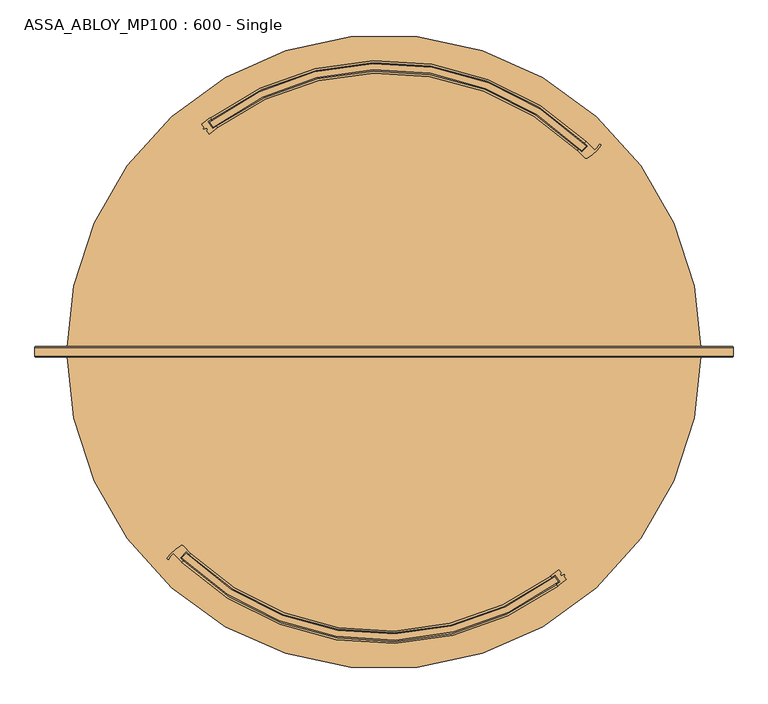
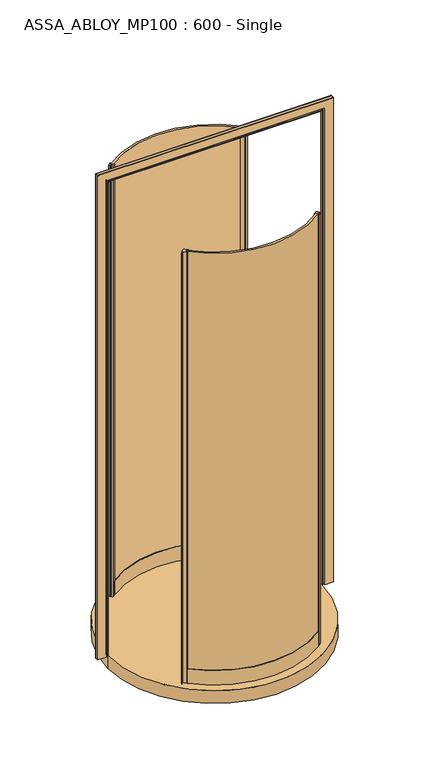
"""IFC4 building model written with IfcOpenShell, lengths in millimetres: door geometry, ASSA_ABLOY_MP100 : 600 - Single."""

from ifc_helpers import new_model, si_unit, point, frame, frame_2d, origin, origin_with_axes, place, context, project, spatial, polyline, circle_curve, ellipse_curve, trimmed, segment, composite_curve, outline, extrude, source, transform, mapped, element, save
from ifc_brep_helpers import plane_surface, cylinder_surface, revolved_surface, advanced_brep


def assa_abloy_mp100_600_single_a07906a3(model_context):
    return source(origin(), model_context, "Body", "SolidModel", [
        extrude(outline(composite_curve([segment(trimmed(circle_curve(frame_2d((125.0, 0.0)), 461.0), [point((-198.0228277, -328.9031054))], [point((403.7296704, -367.1930975))], True, "CARTESIAN"), True, "CONTINUOUS"), segment(polyline([(403.7296704, -367.1930975), (409.6922302, -375.2217132)]), True, "CONTINUOUS"), segment(trimmed(circle_curve(frame_2d((125.0, 0.0)), 471.0), [point((409.6922302, -375.2217132))], [point((-204.952436, -336.1136564))], False, "CARTESIAN"), True, "CONTINUOUS"), segment(polyline([(-204.952436, -336.1136564), (-198.0228277, -328.9031054)]), True, "CONTINUOUS")], self_intersect=False)), origin_with_axes(), (0.0, 0.0, 1.0), 2200.0),
        extrude(outline(composite_curve([segment(polyline([(410.3369696, -355.6948324), (414.4020493, -361.1684819), (412.3950036, -362.6590414), (414.481787, -365.4689053), (419.0829, -363.6472028), (419.7436822, -364.5369492), (418.2774526, -366.3867312), (422.2693923, -371.7618975)]), True, "CONTINUOUS"), segment(trimmed(circle_curve(frame_2d((125.0, 0.0)), 476.0), [point((422.2693923, -371.7618975))], [point((408.8025361, -382.1414928))], False, "CARTESIAN"), True, "CONTINUOUS"), segment(polyline([(408.8025361, -382.1414928), (407.0138647, -379.733038)]), True, "CONTINUOUS"), segment(trimmed(circle_curve(frame_2d((125.0, 0.0)), 473.0), [point((407.0138647, -379.733038))], [point((412.6027082, -375.5178854))], True, "CARTESIAN"), True, "CONTINUOUS"), segment(polyline([(412.6027082, -375.5178854), (404.2546327, -364.2771612)]), True, "CONTINUOUS"), segment(trimmed(circle_curve(frame_2d((125.0, 0.0)), 459.0), [point((404.2546327, -364.2771612))], [point((398.6655575, -368.494454))], False, "CARTESIAN"), True, "CONTINUOUS"), segment(polyline([(398.6655575, -368.494454), (396.8780598, -366.0851275)]), True, "CONTINUOUS"), segment(trimmed(circle_curve(frame_2d((125.0, 0.0)), 456.0), [point((396.8780598, -366.0851275))], [point((410.3369696, -355.6948324))], True, "CARTESIAN"), True, "CONTINUOUS")], self_intersect=False)), origin_with_axes(), (0.0, 0.0, 1.0), 2200.0),
        advanced_brep(
        [(-198.0606614, -326.0564281, 0.0), (-207.7619944, -336.1524011, 0.0), (-202.7505863, -341.0399863, 0.0), (-204.8292072, -343.2031633, 0.0), (-218.6754502, -329.3370005, 0.0), (-225.8403885, -338.0289484, 0.0), (-228.4119384, -336.7129907, 0.0), (-206.5448057, -316.4268945, 0.0), (-202.8628013, -316.9255214, 0.0), (-190.9717342, -328.781983, 0.0), (-193.0503552, -330.94516, 0.0), (-198.0606614, -326.0564281, 2200.0), (-193.0503552, -330.94516, 2200.0), (-190.9717342, -328.781983, 2200.0), (-202.8628013, -316.9255214, 2200.0), (-206.5448057, -316.4268945, 2200.0), (-228.4119384, -336.7129907, 2200.0), (-225.8541944, -338.0217349, 2200.0), (-218.6754502, -329.3370005, 2200.0), (-204.8292072, -343.2031633, 2200.0), (-202.7505863, -341.0399863, 2200.0), (-207.7619944, -336.1524011, 2200.0)],
        [
            (0, 1),
            (1, 2, circle_curve(frame((123.9393398, -1.0606602, 0.0), z_axis=(0.0, 0.0, 1.0), x_axis=(-0.7071067811865531, 0.7071067811865418, 0.0)), 471.5)),
            (2, 3),
            (3, 4, circle_curve(frame((123.9393398, -1.0606602, 0.0), z_axis=(0.0, 0.0, -1.0), x_axis=(-0.7071067811865531, 0.7071067811865418, 0.0)), 474.5)),
            (4, 5, circle_curve(frame((-201.6572326, -350.6645131, 0.0), z_axis=(0.0, 0.0, 1.0), x_axis=(-0.7071067811865531, 0.7071067811865418, 0.0)), 27.285207)),
            (5, 6, circle_curve(frame((-227.1274821, -337.3564491, 0.0), z_axis=(0.0, 0.0, -1.0), x_axis=(-0.7071067811865531, 0.7071067811865418, 0.0)), 1.4366164)),
            (6, 7, circle_curve(frame((-170.9639336, -376.7095748, 0.0), z_axis=(0.0, 0.0, -1.0), x_axis=(-0.7071067811865531, 0.7071067811865418, 0.0)), 70.0)),
            (7, 8, circle_curve(frame((-205.0199112, -319.0104379, 0.0), z_axis=(0.0, 0.0, -1.0), x_axis=(-0.7071067811865531, 0.7071067811865418, 0.0)), 3.0)),
            (8, 9, circle_curve(frame((123.9393398, -1.0606602, 0.0), z_axis=(0.0, 0.0, 1.0), x_axis=(-0.7071067811865531, 0.7071067811865418, 0.0)), 454.5)),
            (9, 10),
            (10, 0, circle_curve(frame((123.9393398, -1.0606602, 0.0), z_axis=(0.0, 0.0, -1.0), x_axis=(-0.7071067811865531, 0.7071067811865418, 0.0)), 457.5)),
            (11, 12, circle_curve(frame((123.9393398, -1.0606602, 2200.0), z_axis=(0.0, 0.0, 1.0), x_axis=(-0.7071067811865531, 0.7071067811865418, 0.0)), 457.5)),
            (12, 13),
            (13, 14, circle_curve(frame((123.9393398, -1.0606602, 2200.0), z_axis=(0.0, 0.0, -1.0), x_axis=(-0.7071067811865531, 0.7071067811865418, 0.0)), 454.5)),
            (14, 15, circle_curve(frame((-205.0199112, -319.0104379, 2200.0), z_axis=(0.0, 0.0, 1.0), x_axis=(-0.7071067811865531, 0.7071067811865418, 0.0)), 3.0)),
            (15, 16, circle_curve(frame((-170.9639336, -376.7095748, 2200.0), z_axis=(0.0, 0.0, 1.0), x_axis=(-0.7071067811865531, 0.7071067811865418, 0.0)), 70.0)),
            (16, 17, circle_curve(frame((-227.1274821, -337.3564491, 2200.0), z_axis=(0.0, 0.0, 1.0), x_axis=(-0.7071067811865531, 0.7071067811865418, 0.0)), 1.4366164)),
            (17, 18, circle_curve(frame((-201.6572326, -350.6645131, 2200.0), z_axis=(0.0, 0.0, -1.0), x_axis=(-0.7071067811865531, 0.7071067811865418, 0.0)), 27.285207)),
            (18, 19, circle_curve(frame((123.9393398, -1.0606602, 2200.0), z_axis=(0.0, 0.0, 1.0), x_axis=(-0.7071067811865531, 0.7071067811865418, 0.0)), 474.5)),
            (19, 20),
            (20, 21, circle_curve(frame((123.9393398, -1.0606602, 2200.0), z_axis=(0.0, 0.0, -1.0), x_axis=(-0.7071067811865531, 0.7071067811865418, 0.0)), 471.5)),
            (21, 11),
            (0, 11),
            (21, 1),
            (20, 2),
            (19, 3),
            (18, 4),
            (8, 14),
            (13, 9),
            (12, 10),
            (17, 5),
            (16, 6),
            (15, 7),
        ],
        [
            plane_surface(frame((-197.4406922, -322.4406922, 0.0), z_axis=(0.0, 0.0, -1.0000000000000002), x_axis=(-0.7071067811865419, -0.7071067811865532, 0.0))),
            plane_surface(frame((-197.4406922, -322.4406922, 2200.0), z_axis=(0.0, 0.0, 1.0000000000000002), x_axis=(-0.7071067811865419, -0.7071067811865532, 0.0))),
            plane_surface(frame((-198.0606614, -326.0564281, 0.0), z_axis=(0.72105901609443, -0.6928736503208449, 0.0), x_axis=(0.0, 0.0, 1.0))),
            revolved_surface(polyline([(-209.4615075294598, 332.3401871294545, 2200.0), (-209.4615075294598, 332.3401871294545, 0.0)]), (123.9393398, -1.0606602, 0.0), (0.0, 0.0, 1.0)),
            plane_surface(frame((-202.7505863, -341.0399863, 0.0), z_axis=(0.7210590160945624, -0.6928736503207072, 0.0), x_axis=(0.0, 0.0, 1.0))),
            cylinder_surface(frame((123.9393398, -1.0606602, 0.0), z_axis=(0.0, 0.0, -1.0), x_axis=(-0.7071067811865531, 0.7071067811865418, 0.0)), 474.5),
            revolved_surface(polyline([(-197.4406922492884, 320.3193718492833, 2200.0), (-197.4406922492884, 320.3193718492833, 0.0)]), (123.9393398, -1.0606602, 0.0), (0.0, 0.0, 1.0)),
            plane_surface(frame((-190.9717342, -328.781983, 0.0), z_axis=(0.7210590160946411, -0.6928736503206254, 0.0), x_axis=(0.0, 0.0, 1.0))),
            cylinder_surface(frame((123.9393398, -1.0606602, 0.0), z_axis=(0.0, 0.0, -1.0), x_axis=(-0.7071067811865531, 0.7071067811865418, 0.0)), 457.5),
            revolved_surface(polyline([(-220.9507874957788, -331.37095820422155, 2200.0), (-220.9507874957788, -331.37095820422155, 0.0)]), (-201.6572326, -350.6645131, 0.0), (0.0, 0.0, 1.0)),
            cylinder_surface(frame((-227.1274821, -337.3564491, 0.0), z_axis=(0.0, 0.0, -1.0), x_axis=(-0.7071067811865531, 0.7071067811865418, 0.0)), 1.4366164),
            cylinder_surface(frame((-170.9639336, -376.7095748, 0.0), z_axis=(0.0, 0.0, -1.0), x_axis=(-0.7071067811865531, 0.7071067811865418, 0.0)), 70.0),
            cylinder_surface(frame((-205.0199112, -319.0104379, 0.0), z_axis=(0.0, 0.0, -1.0), x_axis=(-0.7071067811865531, 0.7071067811865418, 0.0)), 3.0),
        ],
        [
            (0, [[1, 2, 3, 4, 5, 6, 7, 8, 9, 10, 11]]),
            (1, [[12, 13, 14, 15, 16, 17, 18, 19, 20, 21, 22]]),
            (2, [[-1, 23, -22, 24]]),
            (3, [[-2, -24, -21, 25]]),
            (4, [[-3, -25, -20, 26]]),
            (5, [[-4, -26, -19, 27]]),
            (6, [[-9, 28, -14, 29]]),
            (7, [[-10, -29, -13, 30]]),
            (8, [[-11, -30, -12, -23]]),
            (9, [[-5, -27, -18, 31]]),
            (10, [[-6, -31, -17, 32]]),
            (11, [[-7, -32, -16, 33]]),
            (12, [[-8, -33, -15, -28]]),
        ],
    ),
        advanced_brep(
        [(-190.9719443, -328.782193, 73.0), (-190.9719443, -328.782193, 0.0), (-193.0507071, -330.9452338, 0.0), (-193.0507071, -330.9452338, 24.0), (-202.7516001, -341.0394239, 24.0), (-202.7516001, -341.0394239, 0.0), (-204.8303629, -343.2024646, 0.0), (-204.8303629, -343.2024646, 73.0), (-202.7516001, -341.0394239, 73.0), (-202.7516001, -341.0394239, 39.0), (-193.0507071, -330.9452338, 39.0), (-193.0507071, -330.9452338, 73.0), (396.8780598, -366.0851275, 73.0), (398.6667313, -368.4935823, 73.0), (398.6667313, -368.4935823, 39.0), (407.0138647, -379.733038, 39.0), (407.0138647, -379.733038, 73.0), (408.8025361, -382.1414928, 73.0), (408.8025361, -382.1414928, 0.0), (407.0138647, -379.733038, 0.0), (407.0138647, -379.733038, 24.0), (398.6667313, -368.4935823, 24.0), (398.6667313, -368.4935823, 0.0), (396.8780598, -366.0851275, 0.0)],
        [
            (0, 1),
            (1, 2),
            (2, 3),
            (3, 4),
            (4, 5),
            (5, 6),
            (6, 7),
            (7, 8),
            (8, 9),
            (9, 10),
            (10, 11),
            (11, 0),
            (12, 13),
            (13, 14),
            (14, 15),
            (15, 16),
            (16, 17),
            (17, 18),
            (18, 19),
            (19, 20),
            (20, 21),
            (21, 22),
            (22, 23),
            (23, 12),
            (23, 1, circle_curve(frame((125.0, 0.0, 0.0), z_axis=(0.0, 0.0, -1.0), x_axis=(-0.6929209304014322, -0.7210135811561481, 0.0)), 456.0)),
            (0, 12, circle_curve(frame((125.0, 0.0, 73.0), z_axis=(0.0, 0.0, 1.0), x_axis=(-0.6929209304014322, -0.7210135811561481, 0.0)), 456.0)),
            (22, 2, circle_curve(frame((125.0, 0.0, 0.0), z_axis=(0.0, 0.0, -1.0), x_axis=(-0.6929209304014322, -0.7210135811561481, 0.0)), 459.0)),
            (21, 3, circle_curve(frame((125.0, 0.0, 24.0), z_axis=(0.0, 0.0, -1.0), x_axis=(-0.6929209304014322, -0.7210135811561481, 0.0)), 459.0)),
            (20, 4, circle_curve(frame((125.0, 0.0, 24.0), z_axis=(0.0, 0.0, -1.0), x_axis=(-0.6929209304014322, -0.7210135811561481, 0.0)), 473.0)),
            (19, 5, circle_curve(frame((125.0, 0.0, 0.0), z_axis=(0.0, 0.0, -1.0), x_axis=(-0.6929209304014322, -0.7210135811561481, 0.0)), 473.0)),
            (18, 6, circle_curve(frame((125.0, 0.0, 0.0), z_axis=(0.0, 0.0, -1.0), x_axis=(-0.6929209304014322, -0.7210135811561481, 0.0)), 476.0)),
            (17, 7, circle_curve(frame((125.0, 0.0, 73.0), z_axis=(0.0, 0.0, -1.0), x_axis=(-0.6929209304014322, -0.7210135811561481, 0.0)), 476.0)),
            (16, 8, circle_curve(frame((125.0, 0.0, 73.0), z_axis=(0.0, 0.0, -1.0), x_axis=(-0.6929209304014322, -0.7210135811561481, 0.0)), 473.0)),
            (15, 9, circle_curve(frame((125.0, 0.0, 39.0), z_axis=(0.0, 0.0, -1.0), x_axis=(-0.6929209304014322, -0.7210135811561481, 0.0)), 473.0)),
            (14, 10, circle_curve(frame((125.0, 0.0, 39.0), z_axis=(0.0, 0.0, -1.0), x_axis=(-0.6929209304014322, -0.7210135811561481, 0.0)), 459.0)),
            (13, 11, circle_curve(frame((125.0, 0.0, 73.0), z_axis=(0.0, 0.0, -1.0), x_axis=(-0.6929209304014322, -0.7210135811561481, 0.0)), 459.0)),
        ],
        [
            plane_surface(frame((-190.9719443, -328.782193, 0.0), z_axis=(-0.7210135811561482, 0.6929209304014323, 0.0), x_axis=(0.0, 0.0, 1.0))),
            plane_surface(frame((396.8780598, -366.0851275, 0.0), z_axis=(0.8028182621140831, 0.596223815371479, 0.0), x_axis=(0.0, 0.0, 1.0))),
            revolved_surface(polyline([(-190.9719442630531, -328.78219300720355, 73.00000000000003), (-190.9719442630531, -328.78219300720355, 0.0)]), (125.0, 0.0, 0.0), (0.0, 0.0, 1.0000000000000002)),
            plane_surface(frame((125.0, 0.0, 0.0), z_axis=(0.0, 0.0, -1.0), x_axis=(-0.6929209304014323, -0.7210135811561482, 0.0))),
            cylinder_surface(frame((125.0, 0.0, 0.0), z_axis=(0.0, 0.0, 1.0000000000000002), x_axis=(-0.6929209304014322, -0.7210135811561481, 0.0)), 459.0),
            plane_surface(frame((125.0, 0.0, 24.0), z_axis=(0.0, 0.0, -1.0), x_axis=(-0.6929209304014323, -0.7210135811561482, 0.0))),
            revolved_surface(polyline([(-202.75160007987745, -341.03942388685806, 24.000000000000014), (-202.75160007987745, -341.03942388685806, 0.0)]), (125.0, 0.0, 0.0), (0.0, 0.0, 1.0000000000000002)),
            cylinder_surface(frame((125.0, 0.0, 0.0), z_axis=(0.0, 0.0, 1.0000000000000002), x_axis=(-0.6929209304014322, -0.7210135811561481, 0.0)), 476.0),
            plane_surface(frame((125.0, 0.0, 73.0), z_axis=(0.0, 0.0, 1.0), x_axis=(-0.6929209304014323, -0.7210135811561482, 0.0))),
            revolved_surface(polyline([(-202.75160007987745, -341.03942388685806, 73.00000000000003), (-202.75160007987745, -341.03942388685806, 39.000000000000014)]), (125.0, 0.0, 0.0), (0.0, 0.0, 1.0000000000000002)),
            plane_surface(frame((125.0, 0.0, 39.0), z_axis=(0.0, 0.0, 1.0), x_axis=(-0.6929209304014323, -0.7210135811561482, 0.0))),
        ],
        [
            (0, [[1, 2, 3, 4, 5, 6, 7, 8, 9, 10, 11, 12]]),
            (1, [[13, 14, 15, 16, 17, 18, 19, 20, 21, 22, 23, 24]]),
            (2, [[25, -1, 26, -24]]),
            (3, [[27, -2, -25, -23]]),
            (4, [[28, -3, -27, -22]]),
            (5, [[29, -4, -28, -21]]),
            (6, [[30, -5, -29, -20]]),
            (3, [[31, -6, -30, -19]]),
            (7, [[32, -7, -31, -18]]),
            (8, [[33, -8, -32, -17]]),
            (9, [[34, -9, -33, -16]]),
            (10, [[35, -10, -34, -15]]),
            (4, [[36, -11, -35, -14]]),
            (8, [[-26, -12, -36, -13]]),
        ],
    ),
        extrude(outline(composite_curve([segment(trimmed(circle_curve(frame_2d((125.0, 0.0)), 461.0), [point((448.0228277, 328.9031054))], [point((-153.7296704, 367.1930975))], True, "CARTESIAN"), True, "CONTINUOUS"), segment(polyline([(-153.7296704, 367.1930975), (-159.6922302, 375.2217132)]), True, "CONTINUOUS"), segment(trimmed(circle_curve(frame_2d((125.0, 0.0)), 471.0), [point((-159.6922302, 375.2217132))], [point((454.952436, 336.1136564))], False, "CARTESIAN"), True, "CONTINUOUS"), segment(polyline([(454.952436, 336.1136564), (448.0228277, 328.9031054)]), True, "CONTINUOUS")], self_intersect=False)), origin_with_axes(), (0.0, 0.0, 1.0), 2200.0),
        extrude(outline(composite_curve([segment(polyline([(-160.3369696, 355.6948324), (-164.4020493, 361.1684819), (-162.3950036, 362.6590414), (-164.481787, 365.4689053), (-169.0829, 363.6472028), (-169.7436822, 364.5369492), (-168.2774526, 366.3867312), (-172.2693923, 371.7618975)]), True, "CONTINUOUS"), segment(trimmed(circle_curve(frame_2d((125.0, 0.0)), 476.0), [point((-172.2693923, 371.7618975))], [point((-158.8025361, 382.1414928))], False, "CARTESIAN"), True, "CONTINUOUS"), segment(polyline([(-158.8025361, 382.1414928), (-157.0138647, 379.733038)]), True, "CONTINUOUS"), segment(trimmed(circle_curve(frame_2d((125.0, 0.0)), 473.0), [point((-157.0138647, 379.733038))], [point((-162.6027082, 375.5178854))], True, "CARTESIAN"), True, "CONTINUOUS"), segment(polyline([(-162.6027082, 375.5178854), (-154.2546327, 364.2771612)]), True, "CONTINUOUS"), segment(trimmed(circle_curve(frame_2d((125.0, 0.0)), 459.0), [point((-154.2546327, 364.2771612))], [point((-148.6655575, 368.494454))], False, "CARTESIAN"), True, "CONTINUOUS"), segment(polyline([(-148.6655575, 368.494454), (-146.8780598, 366.0851275)]), True, "CONTINUOUS"), segment(trimmed(circle_curve(frame_2d((125.0, 0.0)), 456.0), [point((-146.8780598, 366.0851275))], [point((-160.3369696, 355.6948324))], True, "CARTESIAN"), True, "CONTINUOUS")], self_intersect=False)), origin_with_axes(), (0.0, 0.0, 1.0), 2200.0),
        advanced_brep(
        [(448.0606614, 326.0564281, 0.0), (457.7619944, 336.1524011, 0.0), (452.7505863, 341.0399863, 0.0), (454.8292072, 343.2031633, 0.0), (468.6754502, 329.3370005, 0.0), (475.8403885, 338.0289484, 0.0), (478.4119384, 336.7129907, 0.0), (456.5448057, 316.4268945, 0.0), (452.8628013, 316.9255214, 0.0), (440.9717342, 328.781983, 0.0), (443.0503552, 330.94516, 0.0), (448.0606614, 326.0564281, 2200.0), (443.0503552, 330.94516, 2200.0), (440.9717342, 328.781983, 2200.0), (452.8628013, 316.9255214, 2200.0), (456.5448057, 316.4268945, 2200.0), (478.4119384, 336.7129907, 2200.0), (475.8541944, 338.0217349, 2200.0), (468.6754502, 329.3370005, 2200.0), (454.8292072, 343.2031633, 2200.0), (452.7505863, 341.0399863, 2200.0), (457.7619944, 336.1524011, 2200.0)],
        [
            (0, 1),
            (1, 2, circle_curve(frame((126.0606602, 1.0606602, 0.0), z_axis=(0.0, 0.0, 1.0), x_axis=(0.7071067811865526, -0.7071067811865416, 0.0)), 471.5)),
            (2, 3),
            (3, 4, circle_curve(frame((126.0606602, 1.0606602, 0.0), z_axis=(0.0, 0.0, -1.0), x_axis=(0.7071067811865526, -0.7071067811865416, 0.0)), 474.5)),
            (4, 5, circle_curve(frame((451.6572326, 350.6645131, 0.0), z_axis=(0.0, 0.0, 1.0), x_axis=(0.7071067811865526, -0.7071067811865416, 0.0)), 27.285207)),
            (5, 6, circle_curve(frame((477.1274821, 337.3564491, 0.0), z_axis=(0.0, 0.0, -1.0), x_axis=(0.7071067811865526, -0.7071067811865416, 0.0)), 1.4366164)),
            (6, 7, circle_curve(frame((420.9639336, 376.7095748, 0.0), z_axis=(0.0, 0.0, -1.0), x_axis=(0.7071067811865526, -0.7071067811865416, 0.0)), 70.0)),
            (7, 8, circle_curve(frame((455.0199112, 319.0104379, 0.0), z_axis=(0.0, 0.0, -1.0), x_axis=(0.7071067811865526, -0.7071067811865416, 0.0)), 3.0)),
            (8, 9, circle_curve(frame((126.0606602, 1.0606602, 0.0), z_axis=(0.0, 0.0, 1.0), x_axis=(0.7071067811865526, -0.7071067811865416, 0.0)), 454.5)),
            (9, 10),
            (10, 0, circle_curve(frame((126.0606602, 1.0606602, 0.0), z_axis=(0.0, 0.0, -1.0), x_axis=(0.7071067811865526, -0.7071067811865416, 0.0)), 457.5)),
            (11, 12, circle_curve(frame((126.0606602, 1.0606602, 2200.0), z_axis=(0.0, 0.0, 1.0), x_axis=(0.7071067811865526, -0.7071067811865416, 0.0)), 457.5)),
            (12, 13),
            (13, 14, circle_curve(frame((126.0606602, 1.0606602, 2200.0), z_axis=(0.0, 0.0, -1.0), x_axis=(0.7071067811865526, -0.7071067811865416, 0.0)), 454.5)),
            (14, 15, circle_curve(frame((455.0199112, 319.0104379, 2200.0), z_axis=(0.0, 0.0, 1.0), x_axis=(0.7071067811865526, -0.7071067811865416, 0.0)), 3.0)),
            (15, 16, circle_curve(frame((420.9639336, 376.7095748, 2200.0), z_axis=(0.0, 0.0, 1.0), x_axis=(0.7071067811865526, -0.7071067811865416, 0.0)), 70.0)),
            (16, 17, circle_curve(frame((477.1274821, 337.3564491, 2200.0), z_axis=(0.0, 0.0, 1.0), x_axis=(0.7071067811865526, -0.7071067811865416, 0.0)), 1.4366164)),
            (17, 18, circle_curve(frame((451.6572326, 350.6645131, 2200.0), z_axis=(0.0, 0.0, -1.0), x_axis=(0.7071067811865526, -0.7071067811865416, 0.0)), 27.285207)),
            (18, 19, circle_curve(frame((126.0606602, 1.0606602, 2200.0), z_axis=(0.0, 0.0, 1.0), x_axis=(0.7071067811865526, -0.7071067811865416, 0.0)), 474.5)),
            (19, 20),
            (20, 21, circle_curve(frame((126.0606602, 1.0606602, 2200.0), z_axis=(0.0, 0.0, -1.0), x_axis=(0.7071067811865526, -0.7071067811865416, 0.0)), 471.5)),
            (21, 11),
            (0, 11),
            (21, 1),
            (20, 2),
            (19, 3),
            (18, 4),
            (8, 14),
            (13, 9),
            (12, 10),
            (17, 5),
            (16, 6),
            (15, 7),
        ],
        [
            plane_surface(frame((447.4406922, 322.4406922, 0.0), z_axis=(0.0, 0.0, -1.0), x_axis=(0.707106781186542, 0.707106781186553, 0.0))),
            plane_surface(frame((447.4406922, 322.4406922, 2200.0), z_axis=(0.0, 0.0, 1.0), x_axis=(0.707106781186542, 0.707106781186553, 0.0))),
            plane_surface(frame((448.0606614, 326.0564281, 0.0), z_axis=(-0.7210590160944299, 0.692873650320845, 0.0), x_axis=(0.0, 0.0, 1.0))),
            revolved_surface(polyline([(459.4615075294595, -332.34018712945436, 2200.0), (459.4615075294595, -332.34018712945436, 0.0)]), (126.0606602, 1.0606602, 0.0), (0.0, 0.0, 1.0)),
            plane_surface(frame((452.7505863, 341.0399863, 0.0), z_axis=(-0.7210590160945622, 0.6928736503207075, 0.0), x_axis=(0.0, 0.0, 1.0))),
            cylinder_surface(frame((126.0606602, 1.0606602, 0.0), z_axis=(0.0, 0.0, -1.0), x_axis=(0.7071067811865526, -0.7071067811865416, 0.0)), 474.5),
            revolved_surface(polyline([(447.4406922492882, -320.3193718492832, 2200.0), (447.4406922492882, -320.3193718492832, 0.0)]), (126.0606602, 1.0606602, 0.0), (0.0, 0.0, 1.0)),
            plane_surface(frame((440.9717342, 328.781983, 0.0), z_axis=(-0.7210590160946408, 0.6928736503206255, 0.0), x_axis=(0.0, 0.0, 1.0))),
            cylinder_surface(frame((126.0606602, 1.0606602, 0.0), z_axis=(0.0, 0.0, -1.0), x_axis=(0.7071067811865526, -0.7071067811865416, 0.0)), 457.5),
            revolved_surface(polyline([(470.9507874957788, 331.37095820422155, 2200.0), (470.9507874957788, 331.37095820422155, 0.0)]), (451.6572326, 350.6645131, 0.0), (0.0, 0.0, 1.0)),
            cylinder_surface(frame((477.1274821, 337.3564491, 0.0), z_axis=(0.0, 0.0, -1.0), x_axis=(0.7071067811865526, -0.7071067811865416, 0.0)), 1.4366164),
            cylinder_surface(frame((420.9639336, 376.7095748, 0.0), z_axis=(0.0, 0.0, -1.0), x_axis=(0.7071067811865526, -0.7071067811865416, 0.0)), 70.0),
            cylinder_surface(frame((455.0199112, 319.0104379, 0.0), z_axis=(0.0, 0.0, -1.0), x_axis=(0.7071067811865526, -0.7071067811865416, 0.0)), 3.0),
        ],
        [
            (0, [[1, 2, 3, 4, 5, 6, 7, 8, 9, 10, 11]]),
            (1, [[12, 13, 14, 15, 16, 17, 18, 19, 20, 21, 22]]),
            (2, [[-1, 23, -22, 24]]),
            (3, [[-2, -24, -21, 25]]),
            (4, [[-3, -25, -20, 26]]),
            (5, [[-4, -26, -19, 27]]),
            (6, [[-9, 28, -14, 29]]),
            (7, [[-10, -29, -13, 30]]),
            (8, [[-11, -30, -12, -23]]),
            (9, [[-5, -27, -18, 31]]),
            (10, [[-6, -31, -17, 32]]),
            (11, [[-7, -32, -16, 33]]),
            (12, [[-8, -33, -15, -28]]),
        ],
    ),
        advanced_brep(
        [(440.9719443, 328.782193, 73.0), (440.9719443, 328.782193, 0.0), (443.0507071, 330.9452338, 0.0), (443.0507071, 330.9452338, 24.0), (452.7516001, 341.0394239, 24.0), (452.7516001, 341.0394239, 0.0), (454.8303629, 343.2024646, 0.0), (454.8303629, 343.2024646, 73.0), (452.7516001, 341.0394239, 73.0), (452.7516001, 341.0394239, 39.0), (443.0507071, 330.9452338, 39.0), (443.0507071, 330.9452338, 73.0), (-146.8780598, 366.0851275, 73.0), (-148.6667313, 368.4935823, 73.0), (-148.6667313, 368.4935823, 39.0), (-157.0138647, 379.733038, 39.0), (-157.0138647, 379.733038, 73.0), (-158.8025361, 382.1414928, 73.0), (-158.8025361, 382.1414928, 0.0), (-157.0138647, 379.733038, 0.0), (-157.0138647, 379.733038, 24.0), (-148.6667313, 368.4935823, 24.0), (-148.6667313, 368.4935823, 0.0), (-146.8780598, 366.0851275, 0.0)],
        [
            (0, 1),
            (1, 2),
            (2, 3),
            (3, 4),
            (4, 5),
            (5, 6),
            (6, 7),
            (7, 8),
            (8, 9),
            (9, 10),
            (10, 11),
            (11, 0),
            (12, 13),
            (13, 14),
            (14, 15),
            (15, 16),
            (16, 17),
            (17, 18),
            (18, 19),
            (19, 20),
            (20, 21),
            (21, 22),
            (22, 23),
            (23, 12),
            (23, 1, circle_curve(frame((125.0, 0.0, 0.0), z_axis=(0.0, 0.0, -1.0), x_axis=(0.692920930401432, 0.7210135811561476, 0.0)), 456.0)),
            (0, 12, circle_curve(frame((125.0, 0.0, 73.0), z_axis=(0.0, 0.0, 1.0), x_axis=(0.692920930401432, 0.7210135811561476, 0.0)), 456.0)),
            (22, 2, circle_curve(frame((125.0, 0.0, 0.0), z_axis=(0.0, 0.0, -1.0), x_axis=(0.692920930401432, 0.7210135811561476, 0.0)), 459.0)),
            (21, 3, circle_curve(frame((125.0, 0.0, 24.0), z_axis=(0.0, 0.0, -1.0), x_axis=(0.692920930401432, 0.7210135811561476, 0.0)), 459.0)),
            (20, 4, circle_curve(frame((125.0, 0.0, 24.0), z_axis=(0.0, 0.0, -1.0), x_axis=(0.692920930401432, 0.7210135811561476, 0.0)), 473.0)),
            (19, 5, circle_curve(frame((125.0, 0.0, 0.0), z_axis=(0.0, 0.0, -1.0), x_axis=(0.692920930401432, 0.7210135811561476, 0.0)), 473.0)),
            (18, 6, circle_curve(frame((125.0, 0.0, 0.0), z_axis=(0.0, 0.0, -1.0), x_axis=(0.692920930401432, 0.7210135811561476, 0.0)), 476.0)),
            (17, 7, circle_curve(frame((125.0, 0.0, 73.0), z_axis=(0.0, 0.0, -1.0), x_axis=(0.692920930401432, 0.7210135811561476, 0.0)), 476.0)),
            (16, 8, circle_curve(frame((125.0, 0.0, 73.0), z_axis=(0.0, 0.0, -1.0), x_axis=(0.692920930401432, 0.7210135811561476, 0.0)), 473.0)),
            (15, 9, circle_curve(frame((125.0, 0.0, 39.0), z_axis=(0.0, 0.0, -1.0), x_axis=(0.692920930401432, 0.7210135811561476, 0.0)), 473.0)),
            (14, 10, circle_curve(frame((125.0, 0.0, 39.0), z_axis=(0.0, 0.0, -1.0), x_axis=(0.692920930401432, 0.7210135811561476, 0.0)), 459.0)),
            (13, 11, circle_curve(frame((125.0, 0.0, 73.0), z_axis=(0.0, 0.0, -1.0), x_axis=(0.692920930401432, 0.7210135811561476, 0.0)), 459.0)),
        ],
        [
            plane_surface(frame((440.9719443, 328.782193, 0.0), z_axis=(0.721013581156148, -0.6929209304014324, 0.0), x_axis=(0.0, 0.0, 1.0))),
            plane_surface(frame((-146.8780598, 366.0851275, 0.0), z_axis=(-0.8028182621140832, -0.5962238153714787, 0.0), x_axis=(0.0, 0.0, 1.0))),
            revolved_surface(polyline([(440.971944263053, 328.78219300720326, 73.00000000000003), (440.971944263053, 328.78219300720326, 0.0)]), (125.0, 0.0, 0.0), (0.0, 0.0, 1.0000000000000002)),
            plane_surface(frame((125.0, 0.0, 0.0), z_axis=(0.0, 0.0, -1.0), x_axis=(0.6929209304014324, 0.721013581156148, 0.0))),
            cylinder_surface(frame((125.0, 0.0, 0.0), z_axis=(0.0, 0.0, 1.0000000000000002), x_axis=(0.692920930401432, 0.7210135811561476, 0.0)), 459.0),
            plane_surface(frame((125.0, 0.0, 24.0), z_axis=(0.0, 0.0, -1.0), x_axis=(0.6929209304014324, 0.721013581156148, 0.0))),
            revolved_surface(polyline([(452.75160007987733, 341.0394238868578, 24.000000000000014), (452.75160007987733, 341.0394238868578, 0.0)]), (125.0, 0.0, 0.0), (0.0, 0.0, 1.0000000000000002)),
            cylinder_surface(frame((125.0, 0.0, 0.0), z_axis=(0.0, 0.0, 1.0000000000000002), x_axis=(0.692920930401432, 0.7210135811561476, 0.0)), 476.0),
            plane_surface(frame((125.0, 0.0, 73.0), z_axis=(0.0, 0.0, 1.0), x_axis=(0.6929209304014324, 0.721013581156148, 0.0))),
            revolved_surface(polyline([(452.75160007987733, 341.0394238868578, 73.00000000000003), (452.75160007987733, 341.0394238868578, 39.000000000000014)]), (125.0, 0.0, 0.0), (0.0, 0.0, 1.0000000000000002)),
            plane_surface(frame((125.0, 0.0, 39.0), z_axis=(0.0, 0.0, 1.0), x_axis=(0.6929209304014324, 0.721013581156148, 0.0))),
        ],
        [
            (0, [[1, 2, 3, 4, 5, 6, 7, 8, 9, 10, 11, 12]]),
            (1, [[13, 14, 15, 16, 17, 18, 19, 20, 21, 22, 23, 24]]),
            (2, [[25, -1, 26, -24]]),
            (3, [[27, -2, -25, -23]]),
            (4, [[28, -3, -27, -22]]),
            (5, [[29, -4, -28, -21]]),
            (6, [[30, -5, -29, -20]]),
            (3, [[31, -6, -30, -19]]),
            (7, [[32, -7, -31, -18]]),
            (8, [[33, -8, -32, -17]]),
            (9, [[34, -9, -33, -16]]),
            (10, [[35, -10, -34, -15]]),
            (4, [[36, -11, -35, -14]]),
            (8, [[-26, -12, -36, -13]]),
        ],
    ),
        extrude(outline(composite_curve([segment(trimmed(circle_curve(frame_2d((125.0, 0.0)), 517.5), [point((-392.5, 0.0))], [point((642.5, 0.0))], False, "CARTESIAN"), True, "CONTINUOUS"), segment(trimmed(circle_curve(frame_2d((125.0, 0.0)), 517.5), [point((642.5, 0.0))], [point((-392.5, 0.0))], False, "CARTESIAN"), True, "CONTINUOUS")], self_intersect=False)), frame((0.0, 0.0, -65.0), z_axis=(0.0, 0.0, 1.0), x_axis=(1.0, 0.0, 0.0)), (0.0, 0.0, 1.0), 65.0),
        advanced_brep(
        [(643.4, 6.0, 0.0), (645.6980762, 6.0, 0.0), (646.5980762, 5.1, 0.0), (646.5980762, -5.1, 0.0), (645.6980762, -6.0, 0.0), (643.4, -6.0, 0.0), (642.5, -5.1, 0.0), (642.5, 5.1, 0.0), (-393.4, 6.0, 0.0), (-392.5, 5.1, 0.0), (-392.5, -5.1, 0.0), (-393.4, -6.0, 0.0), (-395.6980762, -6.0, 0.0), (-396.5980762, -5.1, 0.0), (-396.5980762, 5.1, 0.0), (-395.6980762, 6.0, 0.0), (643.4, 6.0, 2421.8), (-393.4, 6.0, 2421.8), (-395.6980762, 6.0, 2424.0980762), (645.6980762, 6.0, 2424.0980762), (646.5980762, 5.1, 2424.9980762), (646.5980762, -5.1, 2424.9980762), (645.6980762, -6.0, 2424.0980762), (-395.6980762, -6.0, 2424.0980762), (-393.4, -6.0, 2421.8), (643.4, -6.0, 2421.8), (642.5, -5.1, 2420.9), (642.5, 5.1, 2420.9), (-396.5980762, 5.1, 2424.9980762), (-396.5980762, -5.1, 2424.9980762), (-392.5, -5.1, 2420.9), (-392.5, 5.1, 2420.9)],
        [
            (0, 1),
            (1, 2, circle_curve(frame((645.6980762, 5.1, 0.0), z_axis=(0.0, 0.0, -1.0), x_axis=(-1.0, 0.0, 0.0)), 0.9)),
            (2, 3),
            (3, 4, circle_curve(frame((645.6980762, -5.1, 0.0), z_axis=(0.0, 0.0, -1.0), x_axis=(-1.0, 0.0, 0.0)), 0.9)),
            (4, 5),
            (5, 6, circle_curve(frame((643.4, -5.1, 0.0), z_axis=(0.0, 0.0, -1.0), x_axis=(-1.0, 0.0, 0.0)), 0.9)),
            (6, 7),
            (7, 0, circle_curve(frame((643.4, 5.1, 0.0), z_axis=(0.0, 0.0, -1.0), x_axis=(-1.0, 0.0, 0.0)), 0.9)),
            (8, 9, circle_curve(frame((-393.4, 5.1, 0.0), z_axis=(0.0, 0.0, -1.0), x_axis=(1.0, 0.0, 0.0)), 0.9)),
            (9, 10),
            (10, 11, circle_curve(frame((-393.4, -5.1, 0.0), z_axis=(0.0, 0.0, -1.0), x_axis=(1.0, 0.0, 0.0)), 0.9)),
            (11, 12),
            (12, 13, circle_curve(frame((-395.6980762, -5.1, 0.0), z_axis=(0.0, 0.0, -1.0), x_axis=(1.0, 0.0, 0.0)), 0.9)),
            (13, 14),
            (14, 15, circle_curve(frame((-395.6980762, 5.1, 0.0), z_axis=(0.0, 0.0, -1.0), x_axis=(1.0, 0.0, 0.0)), 0.9)),
            (15, 8),
            (0, 16),
            (16, 17),
            (17, 8),
            (15, 18),
            (18, 19),
            (19, 1),
            (19, 20, ellipse_curve(frame((645.6980762, 5.1, 2424.0980762), z_axis=(0.7071067811865475, 0.0, -0.7071067811865475), x_axis=(-0.7071067811865474, 0.0, -0.7071067811865476)), 1.2727922, 0.9)),
            (20, 2),
            (20, 21),
            (21, 3),
            (21, 22, ellipse_curve(frame((645.6980762, -5.1, 2424.0980762), z_axis=(0.7071067811865475, 0.0, -0.7071067811865475), x_axis=(-0.7071067811865474, 0.0, -0.7071067811865476)), 1.2727922, 0.9)),
            (22, 4),
            (22, 23),
            (23, 12),
            (11, 24),
            (24, 25),
            (25, 5),
            (25, 26, ellipse_curve(frame((643.4, -5.1, 2421.8), z_axis=(0.7071067811865475, 0.0, -0.7071067811865475), x_axis=(-0.7071067811865474, 0.0, -0.7071067811865476)), 1.2727922, 0.9)),
            (26, 6),
            (26, 27),
            (27, 7),
            (27, 16, ellipse_curve(frame((643.4, 5.1, 2421.8), z_axis=(0.7071067811865475, 0.0, -0.7071067811865475), x_axis=(-0.7071067811865474, 0.0, -0.7071067811865476)), 1.2727922, 0.9)),
            (18, 28, ellipse_curve(frame((-395.6980762, 5.1, 2424.0980762), z_axis=(0.7071067811865475, 0.0, 0.7071067811865475), x_axis=(0.7071067811865476, 0.0, -0.7071067811865474)), 1.2727922, 0.9)),
            (28, 20),
            (28, 29),
            (29, 21),
            (29, 23, ellipse_curve(frame((-395.6980762, -5.1, 2424.0980762), z_axis=(0.7071067811865475, 0.0, 0.7071067811865475), x_axis=(0.7071067811865476, 0.0, -0.7071067811865474)), 1.2727922, 0.9)),
            (24, 30, ellipse_curve(frame((-393.4, -5.1, 2421.8), z_axis=(0.7071067811865475, 0.0, 0.7071067811865475), x_axis=(0.7071067811865476, 0.0, -0.7071067811865474)), 1.2727922, 0.9)),
            (30, 26),
            (30, 31),
            (31, 27),
            (31, 17, ellipse_curve(frame((-393.4, 5.1, 2421.8), z_axis=(0.7071067811865475, 0.0, 0.7071067811865475), x_axis=(0.7071067811865476, 0.0, -0.7071067811865474)), 1.2727922, 0.9)),
            (14, 28),
            (13, 29),
            (10, 30),
            (9, 31),
        ],
        [
            plane_surface(frame((646.6, 0.0, 0.0), z_axis=(0.0, 0.0, -1.0), x_axis=(0.0, -1.0, 0.0))),
            plane_surface(frame((-396.6, 0.0, 0.0), z_axis=(0.0, 0.0, -1.0), x_axis=(0.0, -1.0, 0.0))),
            plane_surface(frame((643.4, 6.0, 0.0), z_axis=(0.0, 1.0, 0.0), x_axis=(0.0, 0.0, 1.0))),
            cylinder_surface(frame((645.6980762, 5.1, 0.0), z_axis=(0.0, 0.0, -1.0), x_axis=(-1.0, 0.0, 0.0)), 0.9),
            plane_surface(frame((646.5980762, 5.1, 0.0), z_axis=(1.0, 0.0, 0.0), x_axis=(0.0, 0.0, 1.0))),
            cylinder_surface(frame((645.6980762, -5.1, 0.0), z_axis=(0.0, 0.0, -1.0), x_axis=(-1.0, 0.0, 0.0)), 0.9),
            plane_surface(frame((645.6980762, -6.0, 0.0), z_axis=(0.0, -1.0, 0.0), x_axis=(0.0, 0.0, 1.0))),
            cylinder_surface(frame((643.4, -5.1, 0.0), z_axis=(0.0, 0.0, -1.0), x_axis=(-1.0, 0.0, 0.0)), 0.9),
            plane_surface(frame((642.5, -5.1, 0.0), z_axis=(-1.0, 0.0, 0.0), x_axis=(0.0, 0.0, 1.0))),
            cylinder_surface(frame((643.4, 5.1, 0.0), z_axis=(0.0, 0.0, -1.0), x_axis=(-1.0, 0.0, 0.0)), 0.9),
            cylinder_surface(frame((646.6, 5.1, 2424.0980762), z_axis=(1.0, 0.0, 0.0), x_axis=(0.0, 0.0, -1.0)), 0.9),
            plane_surface(frame((646.5980762, 5.1, 2424.9980762), z_axis=(0.0, 0.0, 1.0), x_axis=(-1.0, 0.0, 0.0))),
            cylinder_surface(frame((646.6, -5.1, 2424.0980762), z_axis=(1.0, 0.0, 0.0), x_axis=(0.0, 0.0, -1.0)), 0.9),
            cylinder_surface(frame((646.6, -5.1, 2421.8), z_axis=(1.0, 0.0, 0.0), x_axis=(0.0, 0.0, -1.0)), 0.9),
            plane_surface(frame((642.5, -5.1, 2420.9), z_axis=(0.0, 0.0, -1.0), x_axis=(-1.0, 0.0, 0.0))),
            cylinder_surface(frame((646.6, 5.1, 2421.8), z_axis=(1.0, 0.0, 0.0), x_axis=(0.0, 0.0, -1.0)), 0.9),
            cylinder_surface(frame((-395.6980762, 5.1, 2425.0), z_axis=(0.0, 0.0, 1.0), x_axis=(1.0, 0.0, 0.0)), 0.9),
            plane_surface(frame((-396.5980762, 5.1, 2424.9980762), z_axis=(-1.0, 0.0, 0.0), x_axis=(0.0, 0.0, -1.0))),
            cylinder_surface(frame((-395.6980762, -5.1, 2425.0), z_axis=(0.0, 0.0, 1.0), x_axis=(1.0, 0.0, 0.0)), 0.9),
            cylinder_surface(frame((-393.4, -5.1, 2425.0), z_axis=(0.0, 0.0, 1.0), x_axis=(1.0, 0.0, 0.0)), 0.9),
            plane_surface(frame((-392.5, -5.1, 2420.9), z_axis=(1.0, 0.0, 0.0), x_axis=(0.0, 0.0, -1.0))),
            cylinder_surface(frame((-393.4, 5.1, 2425.0), z_axis=(0.0, 0.0, 1.0), x_axis=(1.0, 0.0, 0.0)), 0.9),
        ],
        [
            (0, [[1, 2, 3, 4, 5, 6, 7, 8]]),
            (1, [[9, 10, 11, 12, 13, 14, 15, 16]]),
            (2, [[-1, 17, 18, 19, -16, 20, 21, 22]]),
            (3, [[-2, -22, 23, 24]]),
            (4, [[-3, -24, 25, 26]]),
            (5, [[-4, -26, 27, 28]]),
            (6, [[-5, -28, 29, 30, -12, 31, 32, 33]]),
            (7, [[-6, -33, 34, 35]]),
            (8, [[-7, -35, 36, 37]]),
            (9, [[-8, -37, 38, -17]]),
            (10, [[-23, -21, 39, 40]]),
            (11, [[-25, -40, 41, 42]]),
            (12, [[-27, -42, 43, -29]]),
            (13, [[-34, -32, 44, 45]]),
            (14, [[-36, -45, 46, 47]]),
            (15, [[-38, -47, 48, -18]]),
            (16, [[-39, -20, -15, 49]]),
            (17, [[-41, -49, -14, 50]]),
            (18, [[-43, -50, -13, -30]]),
            (19, [[-44, -31, -11, 51]]),
            (20, [[-46, -51, -10, 52]]),
            (21, [[-48, -52, -9, -19]]),
        ],
    ),
        advanced_brep(
        [(693.9209519, 8.5, 0.0), (694.5980762, 7.0, 0.0), (694.5980762, -7.0, 0.0), (693.9209519, -8.5, 0.0), (654.5980762, -8.5, 0.0), (654.5980762, 8.5, 0.0), (-443.9209519, 8.5, 0.0), (-404.5980762, 8.5, 0.0), (-404.5980762, -8.5, 0.0), (-443.9209519, -8.5, 0.0), (-444.5980762, -7.0, 0.0), (-444.5980762, 7.0, 0.0), (693.9209519, 8.5, 2472.3209519), (694.5980762, 7.0, 2472.9980762), (694.5980762, -7.0, 2472.9980762), (693.9209519, -8.5, 2472.3209519), (-443.9209519, -8.5, 2472.3209519), (-404.5980762, -8.5, 2432.9980762), (654.5980762, -8.5, 2432.9980762), (654.5980762, 8.5, 2432.9980762), (-404.5980762, 8.5, 2432.9980762), (-443.9209519, 8.5, 2472.3209519), (-444.5980762, 7.0, 2472.9980762), (-444.5980762, -7.0, 2472.9980762)],
        [
            (0, 1, circle_curve(frame((692.5980762, 7.0, 0.0), z_axis=(0.0, 0.0, -1.0), x_axis=(-1.0, 0.0, 0.0)), 2.0)),
            (1, 2),
            (2, 3, circle_curve(frame((692.5980762, -7.0, 0.0), z_axis=(0.0, 0.0, -1.0), x_axis=(-1.0, 0.0, 0.0)), 2.0)),
            (3, 4),
            (4, 5),
            (5, 0),
            (6, 7),
            (7, 8),
            (8, 9),
            (9, 10, circle_curve(frame((-442.5980762, -7.0, 0.0), z_axis=(0.0, 0.0, -1.0), x_axis=(1.0, 0.0, 0.0)), 2.0)),
            (10, 11),
            (11, 6, circle_curve(frame((-442.5980762, 7.0, 0.0), z_axis=(0.0, 0.0, -1.0), x_axis=(1.0, 0.0, 0.0)), 2.0)),
            (0, 12),
            (12, 13, ellipse_curve(frame((692.5980762, 7.0, 2470.9980762), z_axis=(0.7071067811865475, 0.0, -0.7071067811865475), x_axis=(-0.7071067811865474, 0.0, -0.7071067811865476)), 2.8284271, 2.0)),
            (13, 1),
            (13, 14),
            (14, 2),
            (14, 15, ellipse_curve(frame((692.5980762, -7.0, 2470.9980762), z_axis=(0.7071067811865475, 0.0, -0.7071067811865475), x_axis=(-0.7071067811865474, 0.0, -0.7071067811865476)), 2.8284271, 2.0)),
            (15, 3),
            (15, 16),
            (16, 9),
            (8, 17),
            (17, 18),
            (18, 4),
            (18, 19),
            (19, 5),
            (19, 20),
            (20, 7),
            (6, 21),
            (21, 12),
            (21, 22, ellipse_curve(frame((-442.5980762, 7.0, 2470.9980762), z_axis=(0.7071067811865475, 0.0, 0.7071067811865475), x_axis=(0.7071067811865476, 0.0, -0.7071067811865474)), 2.8284271, 2.0)),
            (22, 13),
            (22, 23),
            (23, 14),
            (23, 16, ellipse_curve(frame((-442.5980762, -7.0, 2470.9980762), z_axis=(0.7071067811865475, 0.0, 0.7071067811865475), x_axis=(0.7071067811865476, 0.0, -0.7071067811865474)), 2.8284271, 2.0)),
            (17, 20),
            (11, 22),
            (10, 23),
        ],
        [
            plane_surface(frame((646.6, 0.0, 0.0), z_axis=(0.0, 0.0, -1.0), x_axis=(0.0, -1.0, 0.0))),
            plane_surface(frame((-396.6, 0.0, 0.0), z_axis=(0.0, 0.0, -1.0), x_axis=(0.0, -1.0, 0.0))),
            cylinder_surface(frame((692.5980762, 7.0, 0.0), z_axis=(0.0, 0.0, -1.0), x_axis=(-1.0, 0.0, 0.0)), 2.0),
            plane_surface(frame((694.5980762, 7.0, 0.0), z_axis=(1.0, 0.0, 0.0), x_axis=(0.0, 0.0, 1.0))),
            cylinder_surface(frame((692.5980762, -7.0, 0.0), z_axis=(0.0, 0.0, -1.0), x_axis=(-1.0, 0.0, 0.0)), 2.0),
            plane_surface(frame((693.9209519, -8.5, 0.0), z_axis=(0.0, -1.0, 0.0), x_axis=(0.0, 0.0, 1.0))),
            plane_surface(frame((654.5980762, -8.5, 0.0), z_axis=(-1.0, 0.0, 0.0), x_axis=(0.0, 0.0, 1.0))),
            plane_surface(frame((654.5980762, 8.5, 0.0), z_axis=(0.0, 1.0, 0.0), x_axis=(0.0, 0.0, 1.0))),
            cylinder_surface(frame((646.6, 7.0, 2470.9980762), z_axis=(1.0, 0.0, 0.0), x_axis=(0.0, 0.0, -1.0)), 2.0),
            plane_surface(frame((694.5980762, 7.0, 2472.9980762), z_axis=(0.0, 0.0, 1.0), x_axis=(-1.0, 0.0, 0.0))),
            cylinder_surface(frame((646.6, -7.0, 2470.9980762), z_axis=(1.0, 0.0, 0.0), x_axis=(0.0, 0.0, -1.0)), 2.0),
            plane_surface(frame((654.5980762, -8.5, 2432.9980762), z_axis=(0.0, 0.0, -1.0), x_axis=(-1.0, 0.0, 0.0))),
            cylinder_surface(frame((-442.5980762, 7.0, 2425.0), z_axis=(0.0, 0.0, 1.0), x_axis=(1.0, 0.0, 0.0)), 2.0),
            plane_surface(frame((-444.5980762, 7.0, 2472.9980762), z_axis=(-1.0, 0.0, 0.0), x_axis=(0.0, 0.0, -1.0))),
            cylinder_surface(frame((-442.5980762, -7.0, 2425.0), z_axis=(0.0, 0.0, 1.0), x_axis=(1.0, 0.0, 0.0)), 2.0),
            plane_surface(frame((-404.5980762, -8.5, 2432.9980762), z_axis=(1.0, 0.0, 0.0), x_axis=(0.0, 0.0, -1.0))),
        ],
        [
            (0, [[1, 2, 3, 4, 5, 6]]),
            (1, [[7, 8, 9, 10, 11, 12]]),
            (2, [[-1, 13, 14, 15]]),
            (3, [[-2, -15, 16, 17]]),
            (4, [[-3, -17, 18, 19]]),
            (5, [[-4, -19, 20, 21, -9, 22, 23, 24]]),
            (6, [[-5, -24, 25, 26]]),
            (7, [[-6, -26, 27, 28, -7, 29, 30, -13]]),
            (8, [[-14, -30, 31, 32]]),
            (9, [[-16, -32, 33, 34]]),
            (10, [[-18, -34, 35, -20]]),
            (11, [[-25, -23, 36, -27]]),
            (12, [[-31, -29, -12, 37]]),
            (13, [[-33, -37, -11, 38]]),
            (14, [[-35, -38, -10, -21]]),
            (15, [[-36, -22, -8, -28]]),
        ],
    ),
    ])


if __name__ == "__main__":
    model = new_model("IFC4")
    model_context = context("Model", 3, world=origin())
    ifc_project = project(units=[si_unit("LENGTHUNIT", "METRE", prefix="MILLI")], contexts=[model_context])
    site = spatial("IfcSite", under=ifc_project)
    building = spatial("IfcBuilding", under=site)
    placement = place(None, origin())
    assa_abloy_mp100_600_single_shape = assa_abloy_mp100_600_single_a07906a3(model_context)
    element("IfcDoor", 1, ObjectType="ASSA_ABLOY_MP100 : 600 - Single", at=placement, inside=building, context=model_context, shape_type="MappedRepresentation", body=[
        mapped(assa_abloy_mp100_600_single_shape, transform((0.0, 0.0, 0.0), x_axis=(1.0, 0.0, 0.0), y_axis=(0.0, 1.0, 0.0), z_axis=(0.0, 0.0, 1.0))),
    ])
    save(model, "model.ifc")
